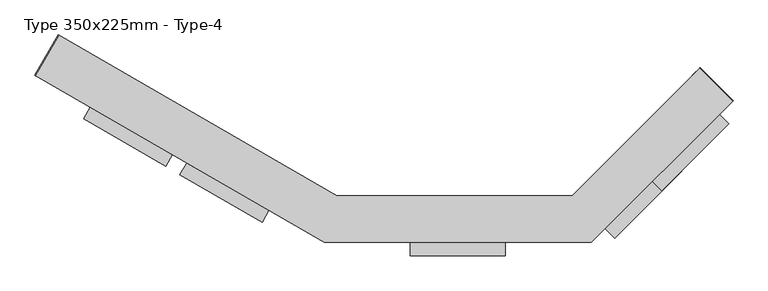
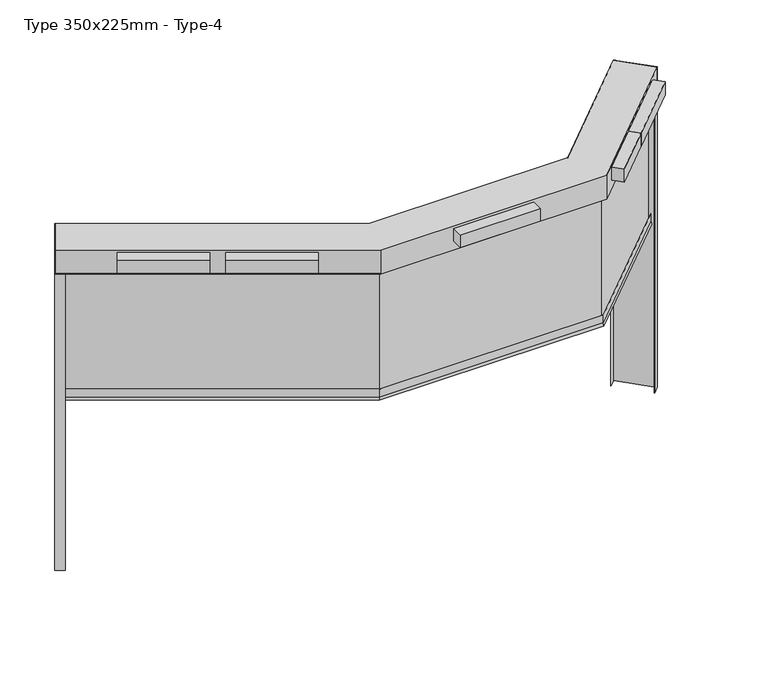
"""IFC4 building model written with IfcOpenShell, lengths in millimetres: alarm geometry, Type 350x225mm - Type-4."""

from ifc_helpers import new_model, si_unit, frame, origin, origin_with_axes, place, context, project, spatial, polyline, outline, extrude, faceted_brep, source, transform, mapped, element, save


def type_350x225mm_type_4_b351ce21(model_context):
    return source(origin(), model_context, "Body", "SolidModel", [
        extrude(outline(polyline([(1958.1296885, 958.1296885), (2028.8403666, 887.4190104), (1526.794552, 385.3731957), (1456.0838739, 456.0838739), (1958.1296885, 958.1296885)])), frame((0.0, 0.0, 80.0), z_axis=(0.0, 0.0, 1.0), x_axis=(1.0, 0.0, 0.0)), (0.0, 0.0, 1.0), 120.0),
        extrude(outline(polyline([(1604.5762979, 604.5762979), (1675.286976, 533.8656198), (1173.2411614, 31.8198052), (1102.5304833, 102.5304833), (1604.5762979, 604.5762979)])), frame((0.0, 0.0, 80.0), z_axis=(0.0, 0.0, 1.0), x_axis=(1.0, 0.0, 0.0)), (0.0, 0.0, 1.0), 120.0),
        extrude(outline(polyline([(-355.0, 0.0), (355.0, 0.0), (355.0, -100.0), (-355.0, -100.0), (-355.0, 0.0)])), frame((0.0, 0.0, 80.0), z_axis=(0.0, 0.0, 1.0), x_axis=(1.0, 0.0, 0.0)), (0.0, 0.0, 1.0), 120.0),
        extrude(outline(polyline([(-2750.8146913, 1010.8333333), (-2135.9366546, 655.8333333), (-2185.9366546, 569.230793), (-2800.8146913, 924.230793), (-2750.8146913, 1010.8333333)])), frame((0.0, 0.0, 80.0), z_axis=(0.0, 0.0, 1.0), x_axis=(1.0, 0.0, 0.0)), (0.0, 0.0, 1.0), 120.0),
        extrude(outline(polyline([(-2029.1268548, 594.1666667), (-1414.2488181, 239.1666667), (-1464.2488181, 152.5641263), (-2079.1268548, 507.5641263), (-2029.1268548, 594.1666667)])), frame((0.0, 0.0, 80.0), z_axis=(0.0, 0.0, 1.0), x_axis=(1.0, 0.0, 0.0)), (0.0, 0.0, 1.0), 120.0),
        extrude(outline(polyline([(1813.1727984, 1308.1475452), (2060.6601718, 1060.6601718), (2058.5388514, 1058.5388514), (1811.051478, 1306.0262249), (1813.1727984, 1308.1475452)])), origin_with_axes(), (0.0, 0.0, 1.0), 225.0),
        extrude(outline(polyline([(1813.1727984, 1308.1475452), (2060.6601718, 1060.6601718), (2004.0916293, 1004.0916293), (2001.9703089, 1006.2129496), (2056.4175311, 1060.6601718), (1813.1727984, 1303.9049045), (1758.7255762, 1249.4576824), (1756.6042559, 1251.5790027), (1813.1727984, 1308.1475452)])), frame((0.0, 0.0, -2775.0), z_axis=(0.0, 0.0, 1.0), x_axis=(1.0, 0.0, 0.0)), (0.0, 0.0, 1.0), 2775.0),
        extrude(outline(polyline([(-2990.0635095, 1553.1088913), (-2987.4654332, 1551.6088913), (-3162.4654332, 1248.5), (-3165.0635095, 1250.0), (-2990.0635095, 1553.1088913)])), origin_with_axes(), (0.0, 0.0, 1.0), 225.0),
        extrude(outline(polyline([(-2990.0635095, 1553.1088913), (-2920.7814772, 1513.1088913), (-2922.2814772, 1510.5108151), (-2988.9654332, 1549.0108151), (-3160.9654332, 1251.0980762), (-3094.2814772, 1212.5980762), (-3095.7814772, 1210.0), (-3165.0635095, 1250.0), (-2990.0635095, 1553.1088913)])), frame((0.0, 0.0, -2775.0), z_axis=(0.0, 0.0, 1.0), x_axis=(1.0, 0.0, 0.0)), (0.0, 0.0, 1.0), 2775.0),
        extrude(outline(polyline([(1954.5941546, 1053.589104), (1968.7362902, 1039.4469683), (979.2893219, 50.0), (-986.6025404, 50.0), (-3070.7814772, 1253.3012702), (-3060.7814772, 1270.6217783), (-981.2435565, 70.0), (971.0050506, 70.0), (1954.5941546, 1053.589104)])), frame((0.0, 0.0, -1190.0), z_axis=(0.0, 0.0, 1.0), x_axis=(1.0, 0.0, 0.0)), (0.0, 0.0, 1.0), 1190.0),
        faceted_brep([(1986.4139598, 1021.7692988, -1200.0), (1774.2819254, 1233.9013332, -1200.0), (1777.8174593, 1230.3657993, -1171.6435909), (1777.8174593, 1230.3657993, -1100.0), (1779.9387796, 1228.2444789, -1100.0), (1779.9387796, 1228.2444789, -1197.0), (1980.7571055, 1027.4261531, -1197.0), (1980.7571055, 1027.4261531, -1100.0), (1982.8784258, 1025.3048327, -1100.0), (1982.8784258, 1025.3048327, -1171.6435909), (989.6446609, 25.0, -1200.0), (-993.3012702, 25.0, -1200.0), (-3083.2814772, 1231.6506351, -1200.0), (-2933.2814772, 1491.4582562, -1200.0), (-912.9165125, 325.0, -1200.0), (865.3805922, 325.0, -1200.0), (867.45166, 320.0, -1171.6435909), (867.45166, 320.0, -1100.0), (-914.2562584, 320.0, -1100.0), (-2935.7814772, 1487.1281292, -1100.0), (-2937.2814772, 1484.530053, -1100.0), (-915.060106, 317.0, -1100.0), (868.6943007, 317.0, -1100.0), (868.6943007, 317.0, -1197.0), (-915.060106, 317.0, -1197.0), (-2937.2814772, 1484.530053, -1197.0), (-3079.2814772, 1238.5788383, -1197.0), (-991.1576766, 33.0, -1197.0), (986.3309524, 33.0, -1197.0), (986.3309524, 33.0, -1100.0), (-991.1576766, 33.0, -1100.0), (-3079.2814772, 1238.5788383, -1100.0), (-3080.7814772, 1235.9807621, -1100.0), (-991.9615242, 30.0, -1100.0), (987.5735931, 30.0, -1100.0), (987.5735931, 30.0, -1171.6435909), (-914.2562584, 320.0, -1171.6435909), (-991.9615242, 30.0, -1171.6435909), (-3080.7814772, 1235.9807621, -1171.6435909), (-2935.7814772, 1487.1281292, -1171.6435909)], [[[0, 1, 2, 3, 4, 5, 6, 7, 8, 9]], [[1, 0, 10, 11, 12, 13, 14, 15]], [[2, 1, 15, 16]], [[3, 2, 16, 17]], [[4, 3, 17, 18, 19, 20, 21, 22]], [[5, 4, 22, 23]], [[6, 5, 23, 24, 25, 26, 27, 28]], [[7, 6, 28, 29]], [[8, 7, 29, 30, 31, 32, 33, 34]], [[9, 8, 34, 35]], [[0, 9, 35, 10]], [[16, 15, 14, 36]], [[17, 16, 36, 18]], [[23, 22, 21, 24]], [[29, 28, 27, 30]], [[35, 34, 33, 37]], [[10, 35, 37, 11]], [[12, 38, 32, 31, 26, 25, 20, 19, 39, 13]], [[36, 14, 13, 39]], [[18, 36, 39, 19]], [[24, 21, 20, 25]], [[30, 27, 26, 31]], [[37, 33, 32, 38]], [[11, 37, 38, 12]]]),
        faceted_brep([(-3165.0635095, 1250.0, 225.0), (-2990.0635095, 1553.1088913, 225.0), (-2990.0635095, 1553.1088913, 0.0), (-3001.0635095, 1534.0563324, 0.0), (-3001.0635095, 1534.0563324, 22.0), (-2999.5635095, 1536.6544087, 22.0), (-2999.5635095, 1536.6544087, 3.0), (-2991.5635095, 1550.5108151, 3.0), (-2991.5635095, 1550.5108151, 97.0), (-3005.0635095, 1527.1281292, 97.0), (-3005.0635095, 1527.1281292, 100.0), (-2991.5635095, 1550.5108151, 100.0), (-2991.5635095, 1550.5108151, 222.0), (-3163.5635095, 1252.5980762, 222.0), (-3163.5635095, 1252.5980762, 100.0), (-3150.0635095, 1275.9807621, 100.0), (-3150.0635095, 1275.9807621, 97.0), (-3163.5635095, 1252.5980762, 97.0), (-3163.5635095, 1252.5980762, 3.0), (-3155.5635095, 1266.4544827, 3.0), (-3155.5635095, 1266.4544827, 22.0), (-3154.0635095, 1269.0525589, 22.0), (-3154.0635095, 1269.0525589, 0.0), (-3165.0635095, 1250.0, 0.0), (-1000.0, 0.0, 225.0), (1000.0, 0.0, 225.0), (2060.6601718, 1060.6601718, 225.0), (1813.1727984, 1308.1475452, 225.0), (855.0252532, 350.0, 225.0), (-906.2177826, 350.0, 225.0), (-906.2177826, 350.0, 0.0), (855.0252532, 350.0, 0.0), (1813.1727984, 1308.1475452, 0.0), (1828.7291476, 1292.591196, 0.0), (864.1379515, 328.0, 0.0), (-912.1126649, 328.0, 0.0), (-912.1126649, 328.0, 22.0), (864.1379515, 328.0, 22.0), (1828.7291476, 1292.591196, 22.0), (1826.6078272, 1294.7125164, 22.0), (862.8953109, 331.0, 22.0), (-911.3088173, 331.0, 22.0), (-911.3088173, 331.0, 3.0), (862.8953109, 331.0, 3.0), (1826.6078272, 1294.7125164, 3.0), (1815.2941187, 1306.0262249, 3.0), (856.2678939, 347.0, 3.0), (-907.0216302, 347.0, 3.0), (-907.0216302, 347.0, 97.0), (856.2678939, 347.0, 97.0), (1815.2941187, 1306.0262249, 97.0), (1834.3860018, 1286.9343418, 97.0), (867.45166, 320.0, 97.0), (-914.2562584, 320.0, 97.0), (-914.2562584, 320.0, 100.0), (867.45166, 320.0, 100.0), (1834.3860018, 1286.9343418, 100.0), (1815.2941187, 1306.0262249, 100.0), (856.2678939, 347.0, 100.0), (-907.0216302, 347.0, 100.0), (-907.0216302, 347.0, 222.0), (856.2678939, 347.0, 222.0), (1815.2941187, 1306.0262249, 222.0), (2058.5388514, 1062.7814921, 222.0), (998.7573593, 3.0, 222.0), (-999.1961524, 3.0, 222.0), (-999.1961524, 3.0, 100.0), (998.7573593, 3.0, 100.0), (2058.5388514, 1062.7814921, 100.0), (2039.4469683, 1081.8733752, 100.0), (987.5735931, 30.0, 100.0), (-991.9615242, 30.0, 100.0), (-991.9615242, 30.0, 97.0), (987.5735931, 30.0, 97.0), (2039.4469683, 1081.8733752, 97.0), (2058.5388514, 1062.7814921, 97.0), (998.7573593, 3.0, 97.0), (-999.1961524, 3.0, 97.0), (-999.1961524, 3.0, 3.0), (998.7573593, 3.0, 3.0), (2058.5388514, 1062.7814921, 3.0), (2047.2251429, 1074.0952006, 3.0), (992.1299423, 19.0, 3.0), (-994.9089653, 19.0, 3.0), (-994.9089653, 19.0, 22.0), (992.1299423, 19.0, 22.0), (2047.2251429, 1074.0952006, 22.0), (2045.1038226, 1076.216521, 22.0), (990.8873016, 22.0, 22.0), (-994.1051178, 22.0, 22.0), (-994.1051178, 22.0, 0.0), (990.8873016, 22.0, 0.0), (2045.1038226, 1076.216521, 0.0), (2060.6601718, 1060.6601718, 0.0), (1000.0, 0.0, 0.0), (-1000.0, 0.0, 0.0)], [[[0, 1, 2, 3, 4, 5, 6, 7, 8, 9, 10, 11, 12, 13, 14, 15, 16, 17, 18, 19, 20, 21, 22, 23]], [[1, 0, 24, 25, 26, 27, 28, 29]], [[2, 1, 29, 30]], [[3, 2, 30, 31, 32, 33, 34, 35]], [[4, 3, 35, 36]], [[5, 4, 36, 37, 38, 39, 40, 41]], [[6, 5, 41, 42]], [[7, 6, 42, 43, 44, 45, 46, 47]], [[8, 7, 47, 48]], [[9, 8, 48, 49, 50, 51, 52, 53]], [[10, 9, 53, 54]], [[11, 10, 54, 55, 56, 57, 58, 59]], [[12, 11, 59, 60]], [[13, 12, 60, 61, 62, 63, 64, 65]], [[14, 13, 65, 66]], [[15, 14, 66, 67, 68, 69, 70, 71]], [[16, 15, 71, 72]], [[17, 16, 72, 73, 74, 75, 76, 77]], [[18, 17, 77, 78]], [[19, 18, 78, 79, 80, 81, 82, 83]], [[20, 19, 83, 84]], [[21, 20, 84, 85, 86, 87, 88, 89]], [[22, 21, 89, 90]], [[23, 22, 90, 91, 92, 93, 94, 95]], [[0, 23, 95, 24]], [[30, 29, 28, 31]], [[36, 35, 34, 37]], [[42, 41, 40, 43]], [[48, 47, 46, 49]], [[54, 53, 52, 55]], [[60, 59, 58, 61]], [[66, 65, 64, 67]], [[72, 71, 70, 73]], [[78, 77, 76, 79]], [[84, 83, 82, 85]], [[90, 89, 88, 91]], [[24, 95, 94, 25]], [[26, 93, 92, 87, 86, 81, 80, 75, 74, 69, 68, 63, 62, 57, 56, 51, 50, 45, 44, 39, 38, 33, 32, 27]], [[31, 28, 27, 32]], [[37, 34, 33, 38]], [[43, 40, 39, 44]], [[49, 46, 45, 50]], [[55, 52, 51, 56]], [[61, 58, 57, 62]], [[67, 64, 63, 68]], [[73, 70, 69, 74]], [[79, 76, 75, 80]], [[85, 82, 81, 86]], [[91, 88, 87, 92]], [[25, 94, 93, 26]]]),
    ])


if __name__ == "__main__":
    model = new_model("IFC4")
    model_context = context("Model", 3, world=origin())
    ifc_project = project(units=[si_unit("LENGTHUNIT", "METRE", prefix="MILLI")], contexts=[model_context])
    site = spatial("IfcSite", under=ifc_project)
    building = spatial("IfcBuilding", under=site)
    placement = place(None, origin())
    type_350x225mm_type_4_shape = type_350x225mm_type_4_b351ce21(model_context)
    element("IfcAlarm", 1, ObjectType="Type 350x225mm - Type-4", at=placement, inside=building, context=model_context, shape_type="MappedRepresentation", body=[
        mapped(type_350x225mm_type_4_shape, transform((0.0, 0.0, 0.0), x_axis=(1.0, 0.0, 0.0), y_axis=(0.0, 1.0, 0.0), z_axis=(0.0, 0.0, 1.0))),
    ])
    save(model, "model.ifc")
